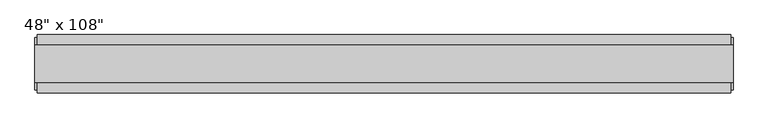
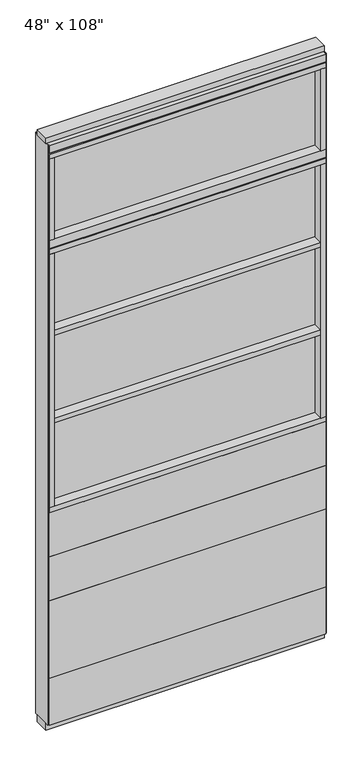
"""IFC4 building model written with IfcOpenShell, lengths in millimetres: furniture geometry."""

from ifc_helpers import new_model, si_unit, frame, origin, origin_with_axes, place, context, project, spatial, polyline, outline, extrude, source, transform, mapped, element, save


def furniture_75868ab6(model_context):
    return source(origin(), model_context, "Body", "SweptSolid", [
        extrude(outline(polyline([(545.6264771, 46.2822784), (545.6264771, 33.5822784), (-665.6995229, 33.5822784), (-665.6995229, 46.2822784), (545.6264771, 46.2822784)])), frame((0.0, 0.0, 812.8), z_axis=(0.0, 0.0, 1.0), x_axis=(1.0, 0.0, 0.0)), (0.0, 0.0, 1.0), 203.2),
        extrude(outline(polyline([(545.6264771, 46.2822784), (545.6264771, 33.5822784), (-665.6995229, 33.5822784), (-665.6995229, 46.2822784), (545.6264771, 46.2822784)])), frame((0.0, 0.0, 609.6), z_axis=(0.0, 0.0, 1.0), x_axis=(1.0, 0.0, 0.0)), (0.0, 0.0, 1.0), 203.2),
        extrude(outline(polyline([(545.6264771, 46.2822784), (545.6264771, 33.5822784), (-665.6995229, 33.5822784), (-665.6995229, 46.2822784), (545.6264771, 46.2822784)])), frame((0.0, 0.0, 249.936), z_axis=(0.0, 0.0, 1.0), x_axis=(1.0, 0.0, 0.0)), (0.0, 0.0, 1.0), 359.664),
        extrude(outline(polyline([(545.6264771, -55.3177216), (-665.6995229, -55.3177216), (-665.6995229, -42.6177216), (545.6264771, -42.6177216), (545.6264771, -55.3177216)])), frame((0.0, 0.0, 812.8), z_axis=(0.0, 0.0, 1.0), x_axis=(1.0, 0.0, 0.0)), (0.0, 0.0, 1.0), 203.2),
        extrude(outline(polyline([(545.6264771, -55.3177216), (-665.6995229, -55.3177216), (-665.6995229, -42.6177216), (545.6264771, -42.6177216), (545.6264771, -55.3177216)])), frame((0.0, 0.0, 609.6), z_axis=(0.0, 0.0, 1.0), x_axis=(1.0, 0.0, 0.0)), (0.0, 0.0, 1.0), 203.2),
        extrude(outline(polyline([(545.6264771, -55.3177216), (-665.6995229, -55.3177216), (-665.6995229, -42.6177216), (545.6264771, -42.6177216), (545.6264771, -55.3177216)])), frame((0.0, 0.0, 249.936), z_axis=(0.0, 0.0, 1.0), x_axis=(1.0, 0.0, 0.0)), (0.0, 0.0, 1.0), 359.664),
        extrude(outline(polyline([(-643.4745229, -52.3332216), (-643.4745229, 43.2977784), (523.4014771, 43.2977784), (523.4014771, -52.3332216), (-643.4745229, -52.3332216)])), frame((0.0, 0.0, 1828.8), z_axis=(0.0, 0.0, 1.0), x_axis=(1.0, 0.0, 0.0)), (0.0, 0.0, 1.0), 22.225),
        extrude(outline(polyline([(-643.4745229, -52.3332216), (-643.4745229, 43.2977784), (523.4014771, 43.2977784), (523.4014771, -52.3332216), (-643.4745229, -52.3332216)])), frame((0.0, 0.0, 1422.4), z_axis=(0.0, 0.0, 1.0), x_axis=(1.0, 0.0, 0.0)), (0.0, 0.0, 1.0), 22.225),
        extrude(outline(polyline([(523.4014771, -9.5977216), (-643.4745229, -9.5977216), (-643.4745229, 0.5622784), (523.4014771, 0.5622784), (523.4014771, -9.5977216)])), frame((0.0, 0.0, 1038.225), z_axis=(0.0, 0.0, 1.0), x_axis=(1.0, 0.0, 0.0)), (0.0, 0.0, 1.0), 1177.925),
        extrude(outline(polyline([(545.6264771, 46.2822784), (545.6264771, 33.5822784), (-665.6995229, 33.5822784), (-665.6995229, 46.2822784), (545.6264771, 46.2822784)])), frame((0.0, 0.0, 31.75), z_axis=(0.0, 0.0, 1.0), x_axis=(1.0, 0.0, 0.0)), (0.0, 0.0, 1.0), 218.186),
        extrude(outline(polyline([(545.6264771, -55.3177216), (-665.6995229, -55.3177216), (-665.6995229, -42.6177216), (545.6264771, -42.6177216), (545.6264771, -55.3177216)])), frame((0.0, 0.0, 31.75), z_axis=(0.0, 0.0, 1.0), x_axis=(1.0, 0.0, 0.0)), (0.0, 0.0, 1.0), 218.186),
        extrude(outline(polyline([(523.4014771, -9.5977216), (-643.4745229, -9.5977216), (-643.4745229, 0.5622784), (523.4014771, 0.5622784), (523.4014771, -9.5977216)])), frame((0.0, 0.0, 2276.475), z_axis=(0.0, 0.0, 1.0), x_axis=(1.0, 0.0, 0.0)), (0.0, 0.0, 1.0), 377.825),
        extrude(outline(polyline([(523.4014771, -55.3177216), (523.4014771, 46.2822784), (545.6264771, 46.2822784), (545.6264771, -55.3177216), (523.4014771, -55.3177216)])), frame((0.0, 0.0, 2276.475), z_axis=(0.0, 0.0, 1.0), x_axis=(1.0, 0.0, 0.0)), (0.0, 0.0, 1.0), 377.825),
        extrude(outline(polyline([(-643.4745229, -55.3177216), (-665.6995229, -55.3177216), (-665.6995229, 46.2822784), (-643.4745229, 46.2822784), (-643.4745229, -55.3177216)])), frame((0.0, 0.0, 2276.475), z_axis=(0.0, 0.0, 1.0), x_axis=(1.0, 0.0, 0.0)), (0.0, 0.0, 1.0), 377.825),
        extrude(outline(polyline([(545.6264771, 46.2822784), (545.6264771, -55.3177216), (-665.6995229, -55.3177216), (-665.6995229, 46.2822784), (545.6264771, 46.2822784)])), frame((0.0, 0.0, 2212.975), z_axis=(0.0, 0.0, 1.0), x_axis=(1.0, 0.0, 0.0)), (0.0, 0.0, 1.0), 22.225),
        extrude(outline(polyline([(-55.3177216, 2240.153), (-55.3177216, 2276.475), (46.2822784, 2276.475), (46.2822784, 2240.153), (41.3292784, 2240.153), (41.3292784, 2235.2), (-50.3647216, 2235.2), (-50.3647216, 2240.153), (-55.3177216, 2240.153)])), frame((-665.6995229, 0.0, 0.0), z_axis=(1.0, 0.0, 0.0), x_axis=(0.0, 1.0, 0.0)), (0.0, 0.0, 1.0), 1211.326),
        extrude(outline(polyline([(523.4014771, -55.3177216), (523.4014771, 46.2822784), (545.6264771, 46.2822784), (545.6264771, -55.3177216), (523.4014771, -55.3177216)])), frame((0.0, 0.0, 1038.225), z_axis=(0.0, 0.0, 1.0), x_axis=(1.0, 0.0, 0.0)), (0.0, 0.0, 1.0), 1174.75),
        extrude(outline(polyline([(-665.6995229, -55.3177216), (-665.6995229, 46.2822784), (545.6264771, 46.2822784), (545.6264771, -55.3177216), (-665.6995229, -55.3177216)])), frame((0.0, 0.0, 1016.0), z_axis=(0.0, 0.0, 1.0), x_axis=(1.0, 0.0, 0.0)), (0.0, 0.0, 1.0), 22.225),
        extrude(outline(polyline([(-643.4745229, -55.3177216), (-665.6995229, -55.3177216), (-665.6995229, 46.2822784), (-643.4745229, 46.2822784), (-643.4745229, -55.3177216)])), frame((0.0, 0.0, 1038.225), z_axis=(0.0, 0.0, 1.0), x_axis=(1.0, 0.0, 0.0)), (0.0, 0.0, 1.0), 1174.75),
        extrude(outline(polyline([(549.5634771, 27.9942784), (549.5634771, -37.0297216), (-669.6365229, -37.0297216), (-669.6365229, 27.9942784), (549.5634771, 27.9942784)])), origin_with_axes(), (0.0, 0.0, 1.0), 31.75),
        extrude(outline(polyline([(-669.6365229, -37.0297216), (-669.6365229, 27.9942784), (549.5634771, 27.9942784), (549.5634771, -37.0297216), (-669.6365229, -37.0297216)])), frame((0.0, 0.0, 2717.8), z_axis=(0.0, 0.0, 1.0), x_axis=(1.0, 0.0, 0.0)), (0.0, 0.0, 1.0), 25.4),
        extrude(outline(polyline([(-55.3177216, 2681.478), (-55.3177216, 2717.8), (46.2822784, 2717.8), (46.2822784, 2681.478), (41.3292784, 2681.478), (41.3292784, 2676.525), (-50.3647216, 2676.525), (-50.3647216, 2681.478), (-55.3177216, 2681.478)])), frame((-665.6995229, 0.0, 0.0), z_axis=(1.0, 0.0, 0.0), x_axis=(0.0, 1.0, 0.0)), (0.0, 0.0, 1.0), 1211.326),
        extrude(outline(polyline([(545.6264771, 46.2822784), (545.6264771, -55.3177216), (-665.6995229, -55.3177216), (-665.6995229, 46.2822784), (545.6264771, 46.2822784)])), frame((0.0, 0.0, 2654.3), z_axis=(0.0, 0.0, 1.0), x_axis=(1.0, 0.0, 0.0)), (0.0, 0.0, 1.0), 22.225),
        extrude(outline(polyline([(549.5634771, -50.3647216), (545.6264771, -50.3647216), (545.6264771, 41.3292784), (549.5634771, 41.3292784), (549.5634771, -50.3647216)])), frame((0.0, 0.0, 31.75), z_axis=(0.0, 0.0, 1.0), x_axis=(1.0, 0.0, 0.0)), (0.0, 0.0, 1.0), 2686.05),
        extrude(outline(polyline([(-669.6365229, -50.3647216), (-669.6365229, 41.3292784), (-665.6995229, 41.3292784), (-665.6995229, -50.3647216), (-669.6365229, -50.3647216)])), frame((0.0, 0.0, 31.75), z_axis=(0.0, 0.0, 1.0), x_axis=(1.0, 0.0, 0.0)), (0.0, 0.0, 1.0), 2686.05),
    ])


if __name__ == "__main__":
    model = new_model("IFC4")
    model_context = context("Model", 3, world=origin())
    ifc_project = project(units=[si_unit("LENGTHUNIT", "METRE", prefix="MILLI")], contexts=[model_context])
    site = spatial("IfcSite", under=ifc_project)
    building = spatial("IfcBuilding", under=site)
    placement = place(None, origin())
    furniture_shape = furniture_75868ab6(model_context)
    element("IfcFurniture", 1, ObjectType="48\" x 108\"", at=placement, inside=building, context=model_context, shape_type="MappedRepresentation", body=[
        mapped(furniture_shape, transform((0.0, 0.0, 0.0), x_axis=(1.0, 0.0, 0.0), y_axis=(0.0, 1.0, 0.0), z_axis=(0.0, 0.0, 1.0))),
    ])
    save(model, "model.ifc")
